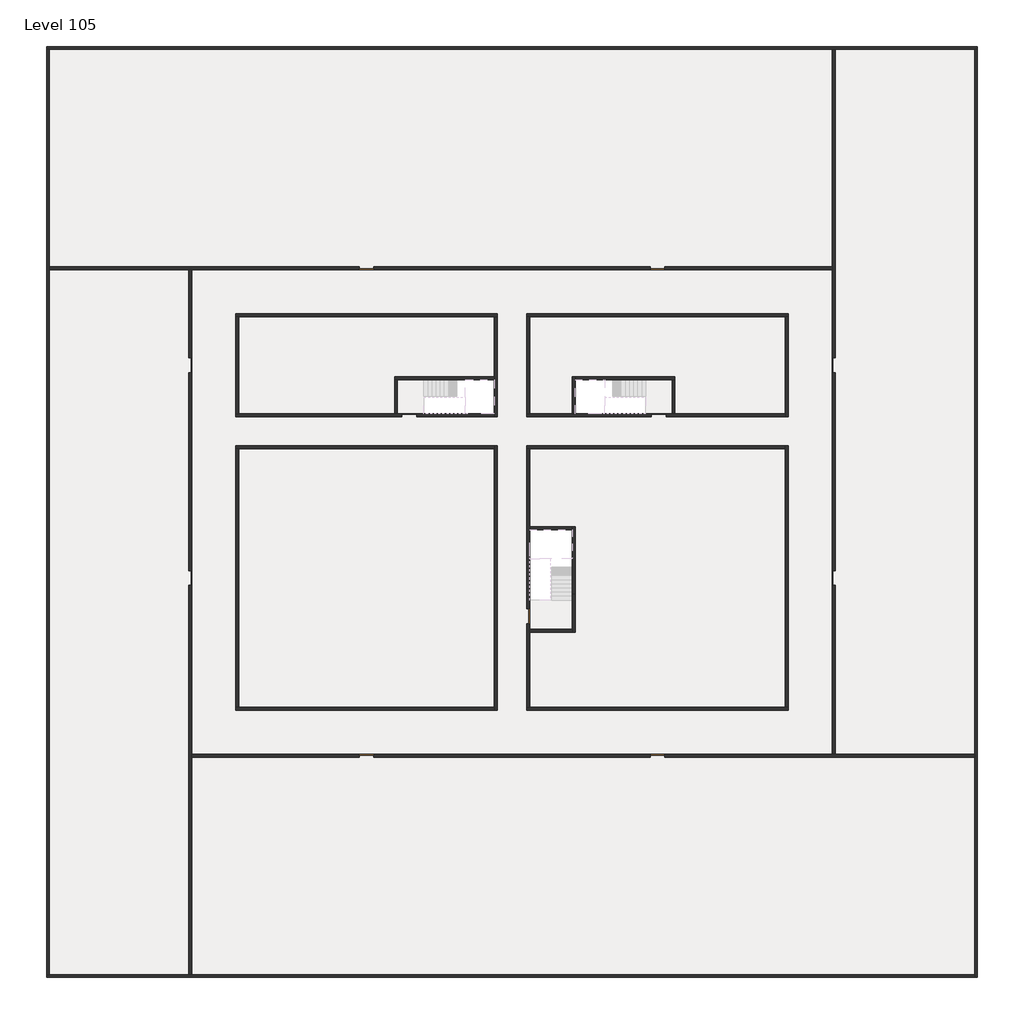
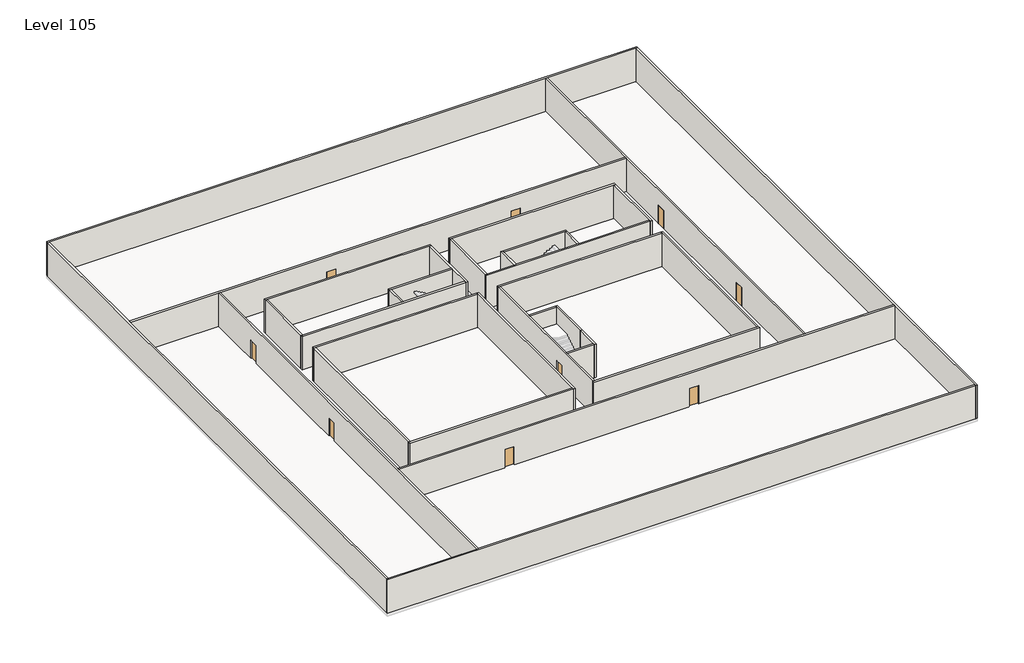
# One storey, part 1 of 2: 33 walls, 11 doors.
"""IFC4 building model written with IfcOpenShell, lengths in millimetres."""

import ifcopenshell
import ifcopenshell.guid

model = None  # the IFC model being written
_history = None  # IfcOwnerHistory: only IFC2X3 demands one
_inside = {}  # id of a spatial element -> (the spatial element, [elements in it])
_under = {}  # id of a project, library or spatial element -> (it, [spatial elements below it])
_declared = {}  # id of a project -> (the project, [libraries it declares])
_typed = {}  # id of a type object -> (the type object, [elements of that type])
_made_of = {}  # id of a material, layer set ... -> (it, [elements and type objects made of it])


def new_model(schema):
    """Start an empty IFC model of exactly this schema.

    Asked for "IFC4X3", IfcOpenShell would pick the latest addendum, in which some entities
    have other attributes; the version numbers below select the first issue.
    IFC2X3 requires an IfcOwnerHistory on every rooted entity: one is made here for all.
    """
    global model, _history
    if schema == "IFC4X3":
        model = ifcopenshell.file(schema_version=(4, 3, 0, 0))
    else:
        model = ifcopenshell.file(schema=schema)
    _inside.clear()
    _under.clear()
    _declared.clear()
    _typed.clear()
    _made_of.clear()
    _history = None
    if model.schema == "IFC2X3":
        org = make("IfcOrganization", Name="unknown")
        user = make(
            "IfcPersonAndOrganization",
            ThePerson=make("IfcPerson", FamilyName="unknown"),
            TheOrganization=org,
        )
        app = make(
            "IfcApplication",
            ApplicationDeveloper=org,
            Version="unknown",
            ApplicationFullName="unknown",
            ApplicationIdentifier="unknown",
        )
        _history = make(
            "IfcOwnerHistory",
            OwningUser=user,
            OwningApplication=app,
            ChangeAction="ADDED",
            CreationDate=0,
        )
    return model


def make(cls, **values):
    """One entity of the class cls with the attributes given. An attribute that is None is left unset."""
    return model.create_entity(
        cls, **{name: value for name, value in values.items() if value is not None}
    )


def rooted(cls, **values):
    """An entity with a GlobalId (a new one), such as an element, a storey or a relation."""
    return make(cls, GlobalId=ifcopenshell.guid.new(), OwnerHistory=_history, **values)


def si_unit(unit_type, name, prefix=None):
    """IfcSIUnit, for example si_unit("LENGTHUNIT", "METRE", prefix="MILLI")."""
    return make("IfcSIUnit", UnitType=unit_type, Prefix=prefix, Name=name)


def assignment(units):
    """IfcUnitAssignment: the units of a project."""
    return None if units is None else make("IfcUnitAssignment", Units=units)


def point(xyz):
    """IfcCartesianPoint."""
    return None if xyz is None else make("IfcCartesianPoint", Coordinates=xyz)


def direction(xyz):
    """IfcDirection."""
    return None if xyz is None else make("IfcDirection", DirectionRatios=xyz)


def frame(location, z_axis=None, x_axis=None):
    """IfcAxis2Placement3D, a coordinate frame: its origin and axes. An axis left out is left unset."""
    return make(
        "IfcAxis2Placement3D",
        Location=point(location),
        Axis=direction(z_axis),
        RefDirection=direction(x_axis),
    )


def origin():
    """The frame at (0, 0, 0) with its axes left unset."""
    return frame((0.0, 0.0, 0.0))


def origin_with_axes():
    """The frame at (0, 0, 0) with the z axis (0, 0, 1) and the x axis (1, 0, 0) written out."""
    return frame((0.0, 0.0, 0.0), z_axis=(0.0, 0.0, 1.0), x_axis=(1.0, 0.0, 0.0))


def place(relative_to, where):
    """IfcLocalPlacement: puts the frame where relative to a parent placement (None: the world)."""
    return make(
        "IfcLocalPlacement", PlacementRelTo=relative_to, RelativePlacement=where
    )


def context(
    kind, dimensions, precision=None, world=None, true_north=None, identifier=None
):
    """IfcGeometricRepresentationContext, for example the 3D "Model" context."""
    return make(
        "IfcGeometricRepresentationContext",
        ContextIdentifier=identifier,
        ContextType=kind,
        CoordinateSpaceDimension=dimensions,
        Precision=precision,
        WorldCoordinateSystem=world,
        TrueNorth=true_north,
    )


def project(units=None, contexts=None):
    """IfcProject with its units and contexts."""
    return rooted(
        "IfcProject",
        Name="project",
        RepresentationContexts=contexts,
        UnitsInContext=assignment(units),
    )


def spatial(cls, under=None, at=None, **own):
    """A site, building, storey or space (cls), placed at a placement, below another one or the project."""
    s = rooted(cls, ObjectPlacement=at, **own)
    if under is not None:
        _under.setdefault(under.id(), (under, []))[1].append(s)
    return s


def polyline(points):
    """IfcPolyline through the points."""
    return make("IfcPolyline", Points=[point(p) for p in points])


def outline(outer, holes=None, kind="AREA"):
    """IfcArbitraryClosedProfileDef: a profile drawn as a closed curve; with holes, ...WithVoids."""
    if holes is None:
        return make("IfcArbitraryClosedProfileDef", ProfileType=kind, OuterCurve=outer)
    return make(
        "IfcArbitraryProfileDefWithVoids",
        ProfileType=kind,
        OuterCurve=outer,
        InnerCurves=holes,
    )


def extrude(swept, where, along, depth):
    """IfcExtrudedAreaSolid: the profile swept, set in the frame where, extruded along a direction by depth."""
    return make(
        "IfcExtrudedAreaSolid",
        SweptArea=swept,
        Position=where,
        ExtrudedDirection=direction(along),
        Depth=depth,
    )


def faces_of(points, faces, orient=None, outer=None):
    """IfcFace entities. A face is a list of loops; a loop is a list of indices into points, from 0.

    orient and outer hold one flag for each loop. By default every Orientation is true, the
    first loop of a face is its IfcFaceOuterBound and the others are IfcFaceBound.
    """
    made = []
    for i, loops in enumerate(faces):
        bounds = []
        for j, loop in enumerate(loops):
            is_outer = j == 0 if outer is None else outer[i][j]
            bounds.append(
                make(
                    "IfcFaceOuterBound" if is_outer else "IfcFaceBound",
                    Bound=make("IfcPolyLoop", Polygon=[points[k] for k in loop]),
                    Orientation=True if orient is None else orient[i][j],
                )
            )
        made.append(make("IfcFace", Bounds=bounds))
    return made


def faceted_brep(points, faces, orient=None, outer=None, voids=None):
    """IfcFacetedBrep: a solid bounded by flat faces; with voids (closed shells), ...WithVoids."""
    shared = [point(p) for p in points]
    hull = make("IfcClosedShell", CfsFaces=faces_of(shared, faces, orient, outer))
    if voids is None:
        return make("IfcFacetedBrep", Outer=hull)
    return make(
        "IfcFacetedBrepWithVoids",
        Outer=hull,
        Voids=[
            make(cls, CfsFaces=faces_of(shared, fs, o, b)) for cls, fs, o, b in voids
        ],
    )


def shape(context_of_items, identifier, shape_type, items):
    """IfcShapeRepresentation: the items that make up one representation, for example the "Body"."""
    return make(
        "IfcShapeRepresentation",
        ContextOfItems=context_of_items,
        RepresentationIdentifier=identifier,
        RepresentationType=shape_type,
        Items=items,
    )


def source(mapping_origin, context_of_items, identifier, shape_type, items):
    """IfcRepresentationMap: a shape defined once, which mapped items show again and again."""
    return make(
        "IfcRepresentationMap",
        MappingOrigin=mapping_origin,
        MappedRepresentation=shape(context_of_items, identifier, shape_type, items),
    )


def transform(
    local_origin,
    x_axis=None,
    y_axis=None,
    z_axis=None,
    scale=None,
    scale2=None,
    scale3=None,
    uniform=True,
):
    """IfcCartesianTransformationOperator3D, or its non-uniform kind. x_axis, y_axis, z_axis: its Axis1, 2, 3."""
    if uniform:
        return make(
            "IfcCartesianTransformationOperator3D",
            Axis1=direction(x_axis),
            Axis2=direction(y_axis),
            LocalOrigin=point(local_origin),
            Scale=scale,
            Axis3=direction(z_axis),
        )
    return make(
        "IfcCartesianTransformationOperator3DnonUniform",
        Axis1=direction(x_axis),
        Axis2=direction(y_axis),
        LocalOrigin=point(local_origin),
        Scale=scale,
        Axis3=direction(z_axis),
        Scale2=scale2,
        Scale3=scale3,
    )


def mapped(mapping_source, mapping_target):
    """IfcMappedItem: shows the shape of a source again, moved by a transform."""
    return make(
        "IfcMappedItem", MappingSource=mapping_source, MappingTarget=mapping_target
    )


def made_of(thing, what):
    """Note that an element or type object is made of a material, layer set ...; save() writes the relation."""
    if what is not None:
        _made_of.setdefault(what.id(), (what, []))[1].append(thing)
    return thing


def element(
    cls,
    number,
    at=None,
    inside=None,
    cuts=None,
    type_object=None,
    material=None,
    context=None,
    identifier="Body",
    shape_type=None,
    held_by="IfcProductDefinitionShape",
    body=None,
    shapes=None,
    **own,
):
    """One element of the class cls, such as IfcWall. Its Tag is "e" and its number.

    at: its placement. inside: the storey or other place that contains it. cuts: it is an
    opening in that element (IfcRelVoidsElement). A single representation is given by context,
    identifier, shape_type and body (its items); several are given by shapes. held_by: the class
    of the entity that holds the representations. save() writes the other relations.
    """
    e = rooted(cls, Tag="e%d" % number, ObjectPlacement=at, **own)
    if body is not None:
        shapes = [shape(context, identifier, shape_type, body)]
    if shapes is not None:
        e.Representation = make(held_by, Representations=shapes)
    if inside is not None:
        _inside.setdefault(inside.id(), (inside, []))[1].append(e)
    if cuts is not None:
        rooted(
            "IfcRelVoidsElement", RelatingBuildingElement=cuts, RelatedOpeningElement=e
        )
    if type_object is not None:
        _typed.setdefault(type_object.id(), (type_object, []))[1].append(e)
    return made_of(e, material)


def aggregate(whole, parts):
    """IfcRelAggregates: a whole, such as a stair, and the parts it consists of."""
    return rooted("IfcRelAggregates", RelatingObject=whole, RelatedObjects=parts)


def save(model, path):
    """Write the relations noted so far, then the file.

    IfcRelAggregates (storeys below a building ...), IfcRelContainedInSpatialStructure (elements
    in a storey), IfcRelDefinesByType, IfcRelAssociatesMaterial and IfcRelDeclares: one each for
    every whole, place, type object, material and project.
    """
    for whole, parts in _under.values():
        aggregate(whole, parts)
    for where, things in _inside.values():
        rooted(
            "IfcRelContainedInSpatialStructure",
            RelatedElements=things,
            RelatingStructure=where,
        )
    for kind, things in _typed.values():
        rooted("IfcRelDefinesByType", RelatedObjects=things, RelatingType=kind)
    for what, things in _made_of.values():
        rooted("IfcRelAssociatesMaterial", RelatedObjects=things, RelatingMaterial=what)
    for by, libraries in _declared.values():
        rooted("IfcRelDeclares", RelatingContext=by, RelatedDefinitions=libraries)
    model.write(path)


def door_fb3c37fd(model_context):
    return source(origin(), model_context, "Body", "SweptSolid", [
        extrude(outline(polyline([(500.0, 49.0), (-500.0, 49.0), (-500.0, 100.0), (500.0, 100.0), (500.0, 49.0)])), origin_with_axes(), (0.0, 0.0, 1.0), 2100.0),
    ])


def door_0317a72c(model_context):
    return source(origin(), model_context, "Body", "SweptSolid", [
        extrude(outline(polyline([(500.0, -49.0), (500.0, -100.0), (-500.0, -100.0), (-500.0, -49.0), (500.0, -49.0)])), origin_with_axes(), (0.0, 0.0, 1.0), 2100.0),
    ])


model = new_model("IFC4")

# Units and contexts
model_context = context("Model", 3, world=origin())
ifc_project = project(units=[si_unit("LENGTHUNIT", "METRE", prefix="MILLI")], contexts=[model_context])

# Site, building, storey
site = spatial("IfcSite", under=ifc_project)
building = spatial("IfcBuilding", under=site)
storey = spatial("IfcBuildingStorey", under=building, Name="Level 105", Elevation=395200.0)

# Doors
placement = place(None, origin())
door_shape = door_fb3c37fd(model_context)
element("IfcDoor", 1, at=placement, inside=storey, context=model_context, shape_type="MappedRepresentation", body=[
    mapped(door_shape, transform((34190.1058784, -30618.09644, 395200.0), x_axis=(1.0, 0.0, 0.0), y_axis=(0.0, 1.0, 0.0), z_axis=(0.0, 0.0, 1.0))),
])
element("IfcDoor", 2, at=placement, inside=storey, context=model_context, shape_type="MappedRepresentation", body=[
    mapped(door_shape, transform((25290.1058784, -44318.09644, 395200.0), x_axis=(0.0, -1.0, 0.0), y_axis=(1.0, 0.0, 0.0), z_axis=(0.0, 0.0, 1.0))),
])
element("IfcDoor", 3, at=placement, inside=storey, context=model_context, shape_type="MappedRepresentation", body=[
    mapped(door_shape, transform((2290.1058784, -41718.09644, 395200.0), x_axis=(0.0, -1.0, 0.0), y_axis=(1.0, 0.0, 0.0), z_axis=(0.0, 0.0, 1.0))),
])
element("IfcDoor", 4, at=placement, inside=storey, context=model_context, shape_type="MappedRepresentation", body=[
    mapped(door_shape, transform((2290.1058784, -27218.09644, 395200.0), x_axis=(0.0, -1.0, 0.0), y_axis=(1.0, 0.0, 0.0), z_axis=(0.0, 0.0, 1.0))),
])
element("IfcDoor", 5, at=placement, inside=storey, context=model_context, shape_type="MappedRepresentation", body=[
    mapped(door_shape, transform((14290.1058784, -20618.09644, 395200.0), x_axis=(-1.0, 0.0, 0.0), y_axis=(0.0, -1.0, 0.0), z_axis=(0.0, 0.0, 1.0))),
])
element("IfcDoor", 6, at=placement, inside=storey, context=model_context, shape_type="MappedRepresentation", body=[
    mapped(door_shape, transform((34090.1058784, -20618.09644, 395200.0), x_axis=(-1.0, 0.0, 0.0), y_axis=(0.0, -1.0, 0.0), z_axis=(0.0, 0.0, 1.0))),
])
element("IfcDoor", 7, at=placement, inside=storey, context=model_context, shape_type="MappedRepresentation", body=[
    mapped(door_shape, transform((46090.1058784, -27218.09644, 395200.0), x_axis=(0.0, 1.0, 0.0), y_axis=(-1.0, 0.0, 0.0), z_axis=(0.0, 0.0, 1.0))),
])
element("IfcDoor", 8, at=placement, inside=storey, context=model_context, shape_type="MappedRepresentation", body=[
    mapped(door_shape, transform((46090.1058784, -41718.09644, 395200.0), x_axis=(0.0, 1.0, 0.0), y_axis=(-1.0, 0.0, 0.0), z_axis=(0.0, 0.0, 1.0))),
])
element("IfcDoor", 9, at=placement, inside=storey, context=model_context, shape_type="MappedRepresentation", body=[
    mapped(door_shape, transform((34090.1058784, -53818.09644, 395200.0), x_axis=(1.0, 0.0, 0.0), y_axis=(0.0, 1.0, 0.0), z_axis=(0.0, 0.0, 1.0))),
])
element("IfcDoor", 10, at=placement, inside=storey, context=model_context, shape_type="MappedRepresentation", body=[
    mapped(door_shape, transform((14290.1058784, -53818.09644, 395200.0), x_axis=(1.0, 0.0, 0.0), y_axis=(0.0, 1.0, 0.0), z_axis=(0.0, 0.0, 1.0))),
])
door_2_shape = door_0317a72c(model_context)
element("IfcDoor", 11, at=placement, inside=storey, context=model_context, shape_type="MappedRepresentation", body=[
    mapped(door_2_shape, transform((17190.1058784, -30618.09644, 395200.0), x_axis=(-1.0, 0.0, 0.0), y_axis=(0.0, -1.0, 0.0), z_axis=(0.0, 0.0, 1.0))),
])

# Walls
element("IfcWall", 12, at=placement, inside=storey, context=model_context, shape_type="Brep", body=[
    faceted_brep([(-7509.8941216, -5718.09644, 395200.0), (-7309.8941216, -5718.09644, 395200.0), (45990.1058784, -5718.09644, 395200.0), (46190.1058784, -5718.09644, 395200.0), (55690.1058784, -5718.09644, 395200.0), (55890.1058784, -5718.09644, 395200.0), (55890.1058784, -5718.09644, 399000.0), (55690.1058784, -5718.09644, 399000.0), (46190.1058784, -5718.09644, 399000.0), (45990.1058784, -5718.09644, 399000.0), (-7309.8941216, -5718.09644, 399000.0), (-7509.8941216, -5718.09644, 399000.0), (-7509.8941216, -5518.09644, 395200.0), (-7509.8941216, -5518.09644, 399000.0), (55890.1058784, -5518.09644, 399000.0), (55890.1058784, -5518.09644, 395200.0)], [[[0, 1, 2, 3, 4, 5, 6, 7, 8, 9, 10, 11]], [[12, 13, 14, 15]], [[5, 4, 3, 2, 1, 0, 12, 15]], [[11, 10, 9, 8, 7, 6, 14, 13]], [[0, 11, 13, 12]], [[6, 5, 15, 14]]]),
])
element("IfcWall", 13, at=placement, inside=storey, context=model_context, shape_type="Brep", body=[
    faceted_brep([(55690.1058784, -5718.09644, 395200.0), (55690.1058784, -53718.09644, 395200.0), (55690.1058784, -53918.09644, 395200.0), (55690.1058784, -68718.09644, 395200.0), (55690.1058784, -68918.09644, 395200.0), (55690.1058784, -68918.09644, 399000.0), (55690.1058784, -68718.09644, 399000.0), (55690.1058784, -53918.09644, 399000.0), (55690.1058784, -53718.09644, 399000.0), (55690.1058784, -5718.09644, 399000.0), (55890.1058784, -5718.09644, 395200.0), (55890.1058784, -5718.09644, 399000.0), (55890.1058784, -68918.09644, 399000.0), (55890.1058784, -68918.09644, 395200.0)], [[[0, 1, 2, 3, 4, 5, 6, 7, 8, 9]], [[10, 11, 12, 13]], [[4, 3, 2, 1, 0, 10, 13]], [[9, 8, 7, 6, 5, 12, 11]], [[5, 4, 13, 12]], [[0, 9, 11, 10]]]),
])
element("IfcWall", 14, at=placement, inside=storey, context=model_context, shape_type="Brep", body=[
    faceted_brep([(55690.1058784, -68718.09644, 395200.0), (2390.1058784, -68718.09644, 395200.0), (2190.1058784, -68718.09644, 395200.0), (-7309.8941216, -68718.09644, 395200.0), (-7509.8941216, -68718.09644, 395200.0), (-7509.8941216, -68718.09644, 399000.0), (-7309.8941216, -68718.09644, 399000.0), (2190.1058784, -68718.09644, 399000.0), (2390.1058784, -68718.09644, 399000.0), (55690.1058784, -68718.09644, 399000.0), (55690.1058784, -68918.09644, 395200.0), (55690.1058784, -68918.09644, 399000.0), (-7509.8941216, -68918.09644, 399000.0), (-7509.8941216, -68918.09644, 395200.0)], [[[0, 1, 2, 3, 4, 5, 6, 7, 8, 9]], [[10, 11, 12, 13]], [[4, 3, 2, 1, 0, 10, 13]], [[9, 8, 7, 6, 5, 12, 11]], [[5, 4, 13, 12]], [[0, 9, 11, 10]]]),
])
element("IfcWall", 15, at=placement, inside=storey, context=model_context, shape_type="Brep", body=[
    faceted_brep([(-7309.8941216, -68718.09644, 395200.0), (-7309.8941216, -20718.09644, 395200.0), (-7309.8941216, -20518.09644, 395200.0), (-7309.8941216, -5718.09644, 395200.0), (-7309.8941216, -5718.09644, 399000.0), (-7309.8941216, -20518.09644, 399000.0), (-7309.8941216, -20718.09644, 399000.0), (-7309.8941216, -68718.09644, 399000.0), (-7509.8941216, -68718.09644, 395200.0), (-7509.8941216, -68718.09644, 399000.0), (-7509.8941216, -5718.09644, 399000.0), (-7509.8941216, -5718.09644, 395200.0)], [[[0, 1, 2, 3, 4, 5, 6, 7]], [[8, 9, 10, 11]], [[3, 2, 1, 0, 8, 11]], [[7, 6, 5, 4, 10, 9]], [[0, 7, 9, 8]], [[4, 3, 11, 10]]]),
])
element("IfcWall", 16, at=placement, inside=storey, context=model_context, shape_type="Brep", body=[
    faceted_brep([(5390.1058784, -23918.09644, 395200.0), (5590.1058784, -23918.09644, 395200.0), (22990.1058784, -23918.09644, 395200.0), (23190.1058784, -23918.09644, 395200.0), (23190.1058784, -23918.09644, 399000.0), (22990.1058784, -23918.09644, 399000.0), (5590.1058784, -23918.09644, 399000.0), (5390.1058784, -23918.09644, 399000.0), (5390.1058784, -23718.09644, 395200.0), (5390.1058784, -23718.09644, 399000.0), (23190.1058784, -23718.09644, 399000.0), (23190.1058784, -23718.09644, 395200.0)], [[[0, 1, 2, 3, 4, 5, 6, 7]], [[8, 9, 10, 11]], [[3, 2, 1, 0, 8, 11]], [[7, 6, 5, 4, 10, 9]], [[4, 3, 11, 10]], [[0, 7, 9, 8]]]),
])
element("IfcWall", 17, at=placement, inside=storey, context=model_context, shape_type="Brep", body=[
    faceted_brep([(22990.1058784, -23918.09644, 395200.0), (22990.1058784, -28018.09644, 395200.0), (22990.1058784, -28218.09644, 395200.0), (22990.1058784, -30518.09644, 395200.0), (22990.1058784, -30718.09644, 395200.0), (22990.1058784, -30718.09644, 399000.0), (22990.1058784, -30518.09644, 399000.0), (22990.1058784, -28218.09644, 399000.0), (22990.1058784, -28018.09644, 399000.0), (22990.1058784, -23918.09644, 399000.0), (23190.1058784, -23918.09644, 395200.0), (23190.1058784, -23918.09644, 399000.0), (23190.1058784, -30718.09644, 399000.0), (23190.1058784, -30718.09644, 395200.0)], [[[0, 1, 2, 3, 4, 5, 6, 7, 8, 9]], [[10, 11, 12, 13]], [[4, 3, 2, 1, 0, 10, 13]], [[9, 8, 7, 6, 5, 12, 11]], [[0, 9, 11, 10]], [[5, 4, 13, 12]]]),
])
element("IfcWall", 18, at=placement, inside=storey, context=model_context, shape_type="Brep", body=[
    faceted_brep([(25190.1058784, -44818.09644, 397300.0), (25190.1058784, -44818.09644, 395200.0), (25190.1058784, -50518.09644, 395200.0), (25190.1058784, -50518.09644, 399000.0), (25190.1058784, -32918.09644, 399000.0), (25190.1058784, -32918.09644, 395200.0), (25190.1058784, -43818.09644, 395200.0), (25190.1058784, -43818.09644, 397300.0), (25390.1058784, -50518.09644, 395200.0), (25390.1058784, -45418.09644, 395200.0), (25390.1058784, -45218.09644, 395200.0), (25390.1058784, -44818.09644, 395200.0), (25390.1058784, -44818.09644, 397300.0), (25390.1058784, -43818.09644, 397300.0), (25390.1058784, -43818.09644, 395200.0), (25390.1058784, -38418.09644, 395200.0), (25390.1058784, -38218.09644, 395200.0), (25390.1058784, -32918.09644, 395200.0), (25390.1058784, -32918.09644, 399000.0), (25390.1058784, -38218.09644, 399000.0), (25390.1058784, -38418.09644, 399000.0), (25390.1058784, -45218.09644, 399000.0), (25390.1058784, -45418.09644, 399000.0), (25390.1058784, -50518.09644, 399000.0)], [[[0, 1, 2, 3, 4, 5, 6, 7]], [[8, 9, 10, 11, 12, 13, 14, 15, 16, 17, 18, 19, 20, 21, 22, 23]], [[6, 5, 17, 16, 15, 14]], [[2, 1, 11, 10, 9, 8]], [[4, 3, 23, 22, 21, 20, 19, 18]], [[12, 11, 1, 0]], [[13, 12, 0, 7]], [[14, 13, 7, 6]], [[5, 4, 18, 17]], [[3, 2, 8, 23]]]),
])
element("IfcWall", 19, at=placement, inside=storey, context=model_context, shape_type="Brep", body=[
    faceted_brep([(22990.1058784, -32718.09644, 395200.0), (22990.1058784, -32918.09644, 395200.0), (22990.1058784, -50518.09644, 395200.0), (22990.1058784, -50718.09644, 395200.0), (22990.1058784, -50718.09644, 399000.0), (22990.1058784, -50518.09644, 399000.0), (22990.1058784, -32918.09644, 399000.0), (22990.1058784, -32718.09644, 399000.0), (23190.1058784, -32718.09644, 395200.0), (23190.1058784, -32718.09644, 399000.0), (23190.1058784, -50718.09644, 399000.0), (23190.1058784, -50718.09644, 395200.0)], [[[0, 1, 2, 3, 4, 5, 6, 7]], [[8, 9, 10, 11]], [[3, 2, 1, 0, 8, 11]], [[7, 6, 5, 4, 10, 9]], [[4, 3, 11, 10]], [[0, 7, 9, 8]]]),
])
element("IfcWall", 20, at=placement, inside=storey, context=model_context, shape_type="Brep", body=[
    faceted_brep([(22990.1058784, -50518.09644, 395200.0), (5590.1058784, -50518.09644, 395200.0), (5390.1058784, -50518.09644, 395200.0), (5390.1058784, -50518.09644, 399000.0), (5590.1058784, -50518.09644, 399000.0), (22990.1058784, -50518.09644, 399000.0), (22990.1058784, -50718.09644, 395200.0), (22990.1058784, -50718.09644, 399000.0), (5390.1058784, -50718.09644, 399000.0), (5390.1058784, -50718.09644, 395200.0)], [[[0, 1, 2, 3, 4, 5]], [[6, 7, 8, 9]], [[2, 1, 0, 6, 9]], [[5, 4, 3, 8, 7]], [[0, 5, 7, 6]], [[3, 2, 9, 8]]]),
])
element("IfcWall", 21, at=placement, inside=storey, context=model_context, shape_type="Brep", body=[
    faceted_brep([(28290.1058784, -42818.09644, 395200.0), (28290.1058784, -45218.09644, 395200.0), (28290.1058784, -45418.09644, 395200.0), (28290.1058784, -45418.09644, 399000.0), (28290.1058784, -45218.09644, 399000.0), (28290.1058784, -42818.09644, 399000.0), (28490.1058784, -42818.09644, 395200.0), (28490.1058784, -42818.09644, 399000.0), (28490.1058784, -45418.09644, 399000.0), (28490.1058784, -45418.09644, 395200.0)], [[[0, 1, 2, 3, 4, 5]], [[6, 7, 8, 9]], [[2, 1, 0, 6, 9]], [[5, 4, 3, 8, 7]], [[0, 5, 7, 6]], [[3, 2, 9, 8]]]),
])
element("IfcWall", 22, at=placement, inside=storey, context=model_context, shape_type="SweptSolid", body=[
    extrude(outline(polyline([(5390.1058784, -30518.09644), (5390.1058784, -23918.09644), (5590.1058784, -23918.09644), (5590.1058784, -30518.09644), (5390.1058784, -30518.09644)])), frame((0.0, 0.0, 395200.0), z_axis=(0.0, 0.0, 1.0), x_axis=(1.0, 0.0, 0.0)), (0.0, 0.0, 1.0), 3800.0),
])
element("IfcWall", 23, at=placement, inside=storey, context=model_context, shape_type="Brep", body=[
    faceted_brep([(5390.1058784, -30718.09644, 395200.0), (16690.1058784, -30718.09644, 395200.0), (16690.1058784, -30718.09644, 397300.0), (17690.1058784, -30718.09644, 397300.0), (17690.1058784, -30718.09644, 395200.0), (22990.1058784, -30718.09644, 395200.0), (22990.1058784, -30718.09644, 399000.0), (5390.1058784, -30718.09644, 399000.0), (16690.1058784, -30518.09644, 397300.0), (16690.1058784, -30518.09644, 395200.0), (16390.1058784, -30518.09644, 395200.0), (16190.1058784, -30518.09644, 395200.0), (5590.1058784, -30518.09644, 395200.0), (5390.1058784, -30518.09644, 395200.0), (5390.1058784, -30518.09644, 399000.0), (5590.1058784, -30518.09644, 399000.0), (16190.1058784, -30518.09644, 399000.0), (16390.1058784, -30518.09644, 399000.0), (22990.1058784, -30518.09644, 399000.0), (22990.1058784, -30518.09644, 395200.0), (17690.1058784, -30518.09644, 395200.0), (17690.1058784, -30518.09644, 397300.0)], [[[0, 1, 2, 3, 4, 5, 6, 7]], [[8, 9, 10, 11, 12, 13, 14, 15, 16, 17, 18, 19, 20, 21]], [[20, 19, 5, 4]], [[13, 12, 11, 10, 9, 1, 0]], [[7, 6, 18, 17, 16, 15, 14]], [[2, 1, 9, 8]], [[3, 2, 8, 21]], [[4, 3, 21, 20]], [[0, 7, 14, 13]], [[6, 5, 19, 18]]]),
])
element("IfcWall", 24, at=placement, inside=storey, context=model_context, shape_type="Brep", body=[
    faceted_brep([(28490.1058784, -42818.09644, 395200.0), (28490.1058784, -38218.09644, 395200.0), (28490.1058784, -38218.09644, 399000.0), (28490.1058784, -42818.09644, 399000.0), (28290.1058784, -42818.09644, 395200.0), (28290.1058784, -42818.09644, 399000.0), (28290.1058784, -38418.09644, 399000.0), (28290.1058784, -38218.09644, 399000.0), (28290.1058784, -38218.09644, 395200.0), (28290.1058784, -38418.09644, 395200.0)], [[[0, 1, 2, 3]], [[4, 5, 6, 7, 8, 9]], [[1, 0, 4, 9, 8]], [[3, 2, 7, 6, 5]], [[0, 3, 5, 4]], [[2, 1, 8, 7]]]),
])
element("IfcWall", 25, at=placement, inside=storey, context=model_context, shape_type="SweptSolid", body=[
    extrude(outline(polyline([(25390.1058784, -38218.09644), (28290.1058784, -38218.09644), (28290.1058784, -38418.09644), (25390.1058784, -38418.09644), (25390.1058784, -38218.09644)])), frame((0.0, 0.0, 395200.0), z_axis=(0.0, 0.0, 1.0), x_axis=(1.0, 0.0, 0.0)), (0.0, 0.0, 1.0), 3800.0),
])
element("IfcWall", 26, at=placement, inside=storey, context=model_context, shape_type="SweptSolid", body=[
    extrude(outline(polyline([(28290.1058784, -45418.09644), (25390.1058784, -45418.09644), (25390.1058784, -45218.09644), (28290.1058784, -45218.09644), (28290.1058784, -45418.09644)])), frame((0.0, 0.0, 395200.0), z_axis=(0.0, 0.0, 1.0), x_axis=(1.0, 0.0, 0.0)), (0.0, 0.0, 1.0), 3800.0),
])
element("IfcWall", 27, at=placement, inside=storey, context=model_context, shape_type="Brep", body=[
    faceted_brep([(5390.1058784, -32918.09644, 395200.0), (5590.1058784, -32918.09644, 395200.0), (22990.1058784, -32918.09644, 395200.0), (22990.1058784, -32918.09644, 399000.0), (5590.1058784, -32918.09644, 399000.0), (5390.1058784, -32918.09644, 399000.0), (5390.1058784, -32718.09644, 395200.0), (5390.1058784, -32718.09644, 399000.0), (22990.1058784, -32718.09644, 399000.0), (22990.1058784, -32718.09644, 395200.0)], [[[0, 1, 2, 3, 4, 5]], [[6, 7, 8, 9]], [[2, 1, 0, 6, 9]], [[5, 4, 3, 8, 7]], [[3, 2, 9, 8]], [[0, 5, 7, 6]]]),
])
element("IfcWall", 28, at=placement, inside=storey, context=model_context, shape_type="SweptSolid", body=[
    extrude(outline(polyline([(5390.1058784, -50518.09644), (5390.1058784, -32918.09644), (5590.1058784, -32918.09644), (5590.1058784, -50518.09644), (5390.1058784, -50518.09644)])), frame((0.0, 0.0, 395200.0), z_axis=(0.0, 0.0, 1.0), x_axis=(1.0, 0.0, 0.0)), (0.0, 0.0, 1.0), 3800.0),
])
element("IfcWall", 29, at=placement, inside=storey, context=model_context, shape_type="Brep", body=[
    faceted_brep([(25190.1058784, -50718.09644, 395200.0), (42990.1058784, -50718.09644, 395200.0), (42990.1058784, -50718.09644, 399000.0), (25190.1058784, -50718.09644, 399000.0), (25190.1058784, -50518.09644, 395200.0), (25190.1058784, -50518.09644, 399000.0), (25390.1058784, -50518.09644, 399000.0), (42790.1058784, -50518.09644, 399000.0), (42990.1058784, -50518.09644, 399000.0), (42990.1058784, -50518.09644, 395200.0), (42790.1058784, -50518.09644, 395200.0), (25390.1058784, -50518.09644, 395200.0)], [[[0, 1, 2, 3]], [[4, 5, 6, 7, 8, 9, 10, 11]], [[1, 0, 4, 11, 10, 9]], [[3, 2, 8, 7, 6, 5]], [[2, 1, 9, 8]], [[0, 3, 5, 4]]]),
])
element("IfcWall", 30, at=placement, inside=storey, context=model_context, shape_type="Brep", body=[
    faceted_brep([(42990.1058784, -50518.09644, 395200.0), (42990.1058784, -32718.09644, 395200.0), (42990.1058784, -32718.09644, 399000.0), (42990.1058784, -50518.09644, 399000.0), (42790.1058784, -50518.09644, 395200.0), (42790.1058784, -50518.09644, 399000.0), (42790.1058784, -32918.09644, 399000.0), (42790.1058784, -32718.09644, 399000.0), (42790.1058784, -32718.09644, 395200.0), (42790.1058784, -32918.09644, 395200.0)], [[[0, 1, 2, 3]], [[4, 5, 6, 7, 8, 9]], [[1, 0, 4, 9, 8]], [[3, 2, 7, 6, 5]], [[0, 3, 5, 4]], [[2, 1, 8, 7]]]),
])
element("IfcWall", 31, at=placement, inside=storey, context=model_context, shape_type="Brep", body=[
    faceted_brep([(42790.1058784, -32718.09644, 395200.0), (25190.1058784, -32718.09644, 395200.0), (25190.1058784, -32718.09644, 399000.0), (42790.1058784, -32718.09644, 399000.0), (42790.1058784, -32918.09644, 395200.0), (42790.1058784, -32918.09644, 399000.0), (25390.1058784, -32918.09644, 399000.0), (25190.1058784, -32918.09644, 399000.0), (25190.1058784, -32918.09644, 395200.0), (25390.1058784, -32918.09644, 395200.0)], [[[0, 1, 2, 3]], [[4, 5, 6, 7, 8, 9]], [[1, 0, 4, 9, 8]], [[3, 2, 7, 6, 5]], [[0, 3, 5, 4]], [[2, 1, 8, 7]]]),
])
element("IfcWall", 32, at=placement, inside=storey, context=model_context, shape_type="Brep", body=[
    faceted_brep([(25190.1058784, -23918.09644, 395200.0), (25390.1058784, -23918.09644, 395200.0), (42790.1058784, -23918.09644, 395200.0), (42990.1058784, -23918.09644, 395200.0), (42990.1058784, -23918.09644, 399000.0), (42790.1058784, -23918.09644, 399000.0), (25390.1058784, -23918.09644, 399000.0), (25190.1058784, -23918.09644, 399000.0), (25190.1058784, -23718.09644, 395200.0), (25190.1058784, -23718.09644, 399000.0), (42990.1058784, -23718.09644, 399000.0), (42990.1058784, -23718.09644, 395200.0)], [[[0, 1, 2, 3, 4, 5, 6, 7]], [[8, 9, 10, 11]], [[3, 2, 1, 0, 8, 11]], [[7, 6, 5, 4, 10, 9]], [[0, 7, 9, 8]], [[4, 3, 11, 10]]]),
])
element("IfcWall", 33, at=placement, inside=storey, context=model_context, shape_type="Brep", body=[
    faceted_brep([(42790.1058784, -23918.09644, 395200.0), (42790.1058784, -30518.09644, 395200.0), (42790.1058784, -30718.09644, 395200.0), (42790.1058784, -30718.09644, 399000.0), (42790.1058784, -30518.09644, 399000.0), (42790.1058784, -23918.09644, 399000.0), (42990.1058784, -23918.09644, 395200.0), (42990.1058784, -23918.09644, 399000.0), (42990.1058784, -30718.09644, 399000.0), (42990.1058784, -30718.09644, 395200.0)], [[[0, 1, 2, 3, 4, 5]], [[6, 7, 8, 9]], [[2, 1, 0, 6, 9]], [[5, 4, 3, 8, 7]], [[0, 5, 7, 6]], [[3, 2, 9, 8]]]),
])
element("IfcWall", 34, at=placement, inside=storey, context=model_context, shape_type="Brep", body=[
    faceted_brep([(42790.1058784, -30518.09644, 395200.0), (35290.1058784, -30518.09644, 395200.0), (35090.1058784, -30518.09644, 395200.0), (34690.1058784, -30518.09644, 395200.0), (34690.1058784, -30518.09644, 397300.0), (33690.1058784, -30518.09644, 397300.0), (33690.1058784, -30518.09644, 395200.0), (28490.1058784, -30518.09644, 395200.0), (28290.1058784, -30518.09644, 395200.0), (25390.1058784, -30518.09644, 395200.0), (25190.1058784, -30518.09644, 395200.0), (25190.1058784, -30518.09644, 399000.0), (25390.1058784, -30518.09644, 399000.0), (28290.1058784, -30518.09644, 399000.0), (28490.1058784, -30518.09644, 399000.0), (35090.1058784, -30518.09644, 399000.0), (35290.1058784, -30518.09644, 399000.0), (42790.1058784, -30518.09644, 399000.0), (34690.1058784, -30718.09644, 397300.0), (34690.1058784, -30718.09644, 395200.0), (42790.1058784, -30718.09644, 395200.0), (42790.1058784, -30718.09644, 399000.0), (25190.1058784, -30718.09644, 399000.0), (25190.1058784, -30718.09644, 395200.0), (33690.1058784, -30718.09644, 395200.0), (33690.1058784, -30718.09644, 397300.0)], [[[0, 1, 2, 3, 4, 5, 6, 7, 8, 9, 10, 11, 12, 13, 14, 15, 16, 17]], [[18, 19, 20, 21, 22, 23, 24, 25]], [[24, 23, 10, 9, 8, 7, 6]], [[20, 19, 3, 2, 1, 0]], [[17, 16, 15, 14, 13, 12, 11, 22, 21]], [[4, 3, 19, 18]], [[5, 4, 18, 25]], [[6, 5, 25, 24]], [[11, 10, 23, 22]], [[0, 17, 21, 20]]]),
])
element("IfcWall", 35, at=placement, inside=storey, context=model_context, shape_type="SweptSolid", body=[
    extrude(outline(polyline([(25390.1058784, -23918.09644), (25390.1058784, -30518.09644), (25190.1058784, -30518.09644), (25190.1058784, -23918.09644), (25390.1058784, -23918.09644)])), frame((0.0, 0.0, 395200.0), z_axis=(0.0, 0.0, 1.0), x_axis=(1.0, 0.0, 0.0)), (0.0, 0.0, 1.0), 3800.0),
])
element("IfcWall", 36, at=placement, inside=storey, context=model_context, shape_type="Brep", body=[
    faceted_brep([(28490.1058784, -30518.09644, 395200.0), (28490.1058784, -28218.09644, 395200.0), (28490.1058784, -28018.09644, 395200.0), (28490.1058784, -28018.09644, 399000.0), (28490.1058784, -28218.09644, 399000.0), (28490.1058784, -30518.09644, 399000.0), (28290.1058784, -30518.09644, 395200.0), (28290.1058784, -30518.09644, 399000.0), (28290.1058784, -28018.09644, 399000.0), (28290.1058784, -28018.09644, 395200.0)], [[[0, 1, 2, 3, 4, 5]], [[6, 7, 8, 9]], [[2, 1, 0, 6, 9]], [[5, 4, 3, 8, 7]], [[3, 2, 9, 8]], [[0, 5, 7, 6]]]),
])
element("IfcWall", 37, at=placement, inside=storey, context=model_context, shape_type="Brep", body=[
    faceted_brep([(28490.1058784, -28218.09644, 395200.0), (35090.1058784, -28218.09644, 395200.0), (35290.1058784, -28218.09644, 395200.0), (35290.1058784, -28218.09644, 399000.0), (35090.1058784, -28218.09644, 399000.0), (28490.1058784, -28218.09644, 399000.0), (28490.1058784, -28018.09644, 395200.0), (28490.1058784, -28018.09644, 399000.0), (35290.1058784, -28018.09644, 399000.0), (35290.1058784, -28018.09644, 395200.0)], [[[0, 1, 2, 3, 4, 5]], [[6, 7, 8, 9]], [[2, 1, 0, 6, 9]], [[5, 4, 3, 8, 7]], [[0, 5, 7, 6]], [[3, 2, 9, 8]]]),
])
element("IfcWall", 38, at=placement, inside=storey, context=model_context, shape_type="SweptSolid", body=[
    extrude(outline(polyline([(35090.1058784, -30518.09644), (35090.1058784, -28218.09644), (35290.1058784, -28218.09644), (35290.1058784, -30518.09644), (35090.1058784, -30518.09644)])), frame((0.0, 0.0, 395200.0), z_axis=(0.0, 0.0, 1.0), x_axis=(1.0, 0.0, 0.0)), (0.0, 0.0, 1.0), 3800.0),
])
element("IfcWall", 39, at=placement, inside=storey, context=model_context, shape_type="Brep", body=[
    faceted_brep([(22990.1058784, -28018.09644, 395200.0), (16190.1058784, -28018.09644, 395200.0), (16190.1058784, -28018.09644, 399000.0), (22990.1058784, -28018.09644, 399000.0), (22990.1058784, -28218.09644, 395200.0), (22990.1058784, -28218.09644, 399000.0), (16390.1058784, -28218.09644, 399000.0), (16190.1058784, -28218.09644, 399000.0), (16190.1058784, -28218.09644, 395200.0), (16390.1058784, -28218.09644, 395200.0)], [[[0, 1, 2, 3]], [[4, 5, 6, 7, 8, 9]], [[1, 0, 4, 9, 8]], [[3, 2, 7, 6, 5]], [[0, 3, 5, 4]], [[2, 1, 8, 7]]]),
])
element("IfcWall", 40, at=placement, inside=storey, context=model_context, shape_type="SweptSolid", body=[
    extrude(outline(polyline([(16190.1058784, -30518.09644), (16190.1058784, -28218.09644), (16390.1058784, -28218.09644), (16390.1058784, -30518.09644), (16190.1058784, -30518.09644)])), frame((0.0, 0.0, 395200.0), z_axis=(0.0, 0.0, 1.0), x_axis=(1.0, 0.0, 0.0)), (0.0, 0.0, 1.0), 3800.0),
])
element("IfcWall", 41, at=placement, inside=storey, context=model_context, shape_type="Brep", body=[
    faceted_brep([(14790.1058784, -20718.09644, 395200.0), (33590.1058784, -20718.09644, 395200.0), (33590.1058784, -20718.09644, 397300.0), (34590.1058784, -20718.09644, 397300.0), (34590.1058784, -20718.09644, 395200.0), (45990.1058784, -20718.09644, 395200.0), (45990.1058784, -20718.09644, 399000.0), (2390.1058784, -20718.09644, 399000.0), (2190.1058784, -20718.09644, 399000.0), (-7309.8941216, -20718.09644, 399000.0), (-7309.8941216, -20718.09644, 395200.0), (2190.1058784, -20718.09644, 395200.0), (2390.1058784, -20718.09644, 395200.0), (13790.1058784, -20718.09644, 395200.0), (13790.1058784, -20718.09644, 397300.0), (14790.1058784, -20718.09644, 397300.0), (33590.1058784, -20518.09644, 397300.0), (33590.1058784, -20518.09644, 395200.0), (14790.1058784, -20518.09644, 395200.0), (14790.1058784, -20518.09644, 397300.0), (13790.1058784, -20518.09644, 397300.0), (13790.1058784, -20518.09644, 395200.0), (-7309.8941216, -20518.09644, 395200.0), (-7309.8941216, -20518.09644, 399000.0), (45990.1058784, -20518.09644, 399000.0), (45990.1058784, -20518.09644, 395200.0), (34590.1058784, -20518.09644, 395200.0), (34590.1058784, -20518.09644, 397300.0)], [[[0, 1, 2, 3, 4, 5, 6, 7, 8, 9, 10, 11, 12, 13, 14, 15]], [[16, 17, 18, 19, 20, 21, 22, 23, 24, 25, 26, 27]], [[22, 21, 13, 12, 11, 10]], [[26, 25, 5, 4]], [[18, 17, 1, 0]], [[9, 8, 7, 6, 24, 23]], [[14, 13, 21, 20]], [[15, 14, 20, 19]], [[0, 15, 19, 18]], [[2, 1, 17, 16]], [[3, 2, 16, 27]], [[4, 3, 27, 26]], [[6, 5, 25, 24]], [[10, 9, 23, 22]]]),
])
element("IfcWall", 42, at=placement, inside=storey, context=model_context, shape_type="Brep", body=[
    faceted_brep([(45990.1058784, -27718.09644, 395200.0), (45990.1058784, -41218.09644, 395200.0), (45990.1058784, -41218.09644, 397300.0), (45990.1058784, -42218.09644, 397300.0), (45990.1058784, -42218.09644, 395200.0), (45990.1058784, -53718.09644, 395200.0), (45990.1058784, -53718.09644, 399000.0), (45990.1058784, -20718.09644, 399000.0), (45990.1058784, -20518.09644, 399000.0), (45990.1058784, -5718.09644, 399000.0), (45990.1058784, -5718.09644, 395200.0), (45990.1058784, -20518.09644, 395200.0), (45990.1058784, -20718.09644, 395200.0), (45990.1058784, -26718.09644, 395200.0), (45990.1058784, -26718.09644, 397300.0), (45990.1058784, -27718.09644, 397300.0), (46190.1058784, -41218.09644, 397300.0), (46190.1058784, -41218.09644, 395200.0), (46190.1058784, -27718.09644, 395200.0), (46190.1058784, -27718.09644, 397300.0), (46190.1058784, -26718.09644, 397300.0), (46190.1058784, -26718.09644, 395200.0), (46190.1058784, -5718.09644, 395200.0), (46190.1058784, -5718.09644, 399000.0), (46190.1058784, -53718.09644, 399000.0), (46190.1058784, -53718.09644, 395200.0), (46190.1058784, -42218.09644, 395200.0), (46190.1058784, -42218.09644, 397300.0)], [[[0, 1, 2, 3, 4, 5, 6, 7, 8, 9, 10, 11, 12, 13, 14, 15]], [[16, 17, 18, 19, 20, 21, 22, 23, 24, 25, 26, 27]], [[22, 21, 13, 12, 11, 10]], [[26, 25, 5, 4]], [[18, 17, 1, 0]], [[9, 8, 7, 6, 24, 23]], [[14, 13, 21, 20]], [[15, 14, 20, 19]], [[0, 15, 19, 18]], [[2, 1, 17, 16]], [[3, 2, 16, 27]], [[4, 3, 27, 26]], [[6, 5, 25, 24]], [[10, 9, 23, 22]]]),
])
element("IfcWall", 43, at=placement, inside=storey, context=model_context, shape_type="Brep", body=[
    faceted_brep([(33590.1058784, -53718.09644, 395200.0), (14790.1058784, -53718.09644, 395200.0), (14790.1058784, -53718.09644, 397300.0), (13790.1058784, -53718.09644, 397300.0), (13790.1058784, -53718.09644, 395200.0), (2390.1058784, -53718.09644, 395200.0), (2390.1058784, -53718.09644, 399000.0), (45990.1058784, -53718.09644, 399000.0), (46190.1058784, -53718.09644, 399000.0), (55690.1058784, -53718.09644, 399000.0), (55690.1058784, -53718.09644, 395200.0), (46190.1058784, -53718.09644, 395200.0), (45990.1058784, -53718.09644, 395200.0), (34590.1058784, -53718.09644, 395200.0), (34590.1058784, -53718.09644, 397300.0), (33590.1058784, -53718.09644, 397300.0), (14790.1058784, -53918.09644, 397300.0), (14790.1058784, -53918.09644, 395200.0), (33590.1058784, -53918.09644, 395200.0), (33590.1058784, -53918.09644, 397300.0), (34590.1058784, -53918.09644, 397300.0), (34590.1058784, -53918.09644, 395200.0), (55690.1058784, -53918.09644, 395200.0), (55690.1058784, -53918.09644, 399000.0), (2390.1058784, -53918.09644, 399000.0), (2390.1058784, -53918.09644, 395200.0), (13790.1058784, -53918.09644, 395200.0), (13790.1058784, -53918.09644, 397300.0)], [[[0, 1, 2, 3, 4, 5, 6, 7, 8, 9, 10, 11, 12, 13, 14, 15]], [[16, 17, 18, 19, 20, 21, 22, 23, 24, 25, 26, 27]], [[22, 21, 13, 12, 11, 10]], [[26, 25, 5, 4]], [[18, 17, 1, 0]], [[9, 8, 7, 6, 24, 23]], [[14, 13, 21, 20]], [[15, 14, 20, 19]], [[0, 15, 19, 18]], [[2, 1, 17, 16]], [[3, 2, 16, 27]], [[4, 3, 27, 26]], [[6, 5, 25, 24]], [[10, 9, 23, 22]]]),
])
element("IfcWall", 44, at=placement, inside=storey, context=model_context, shape_type="Brep", body=[
    faceted_brep([(2390.1058784, -41218.09644, 395200.0), (2390.1058784, -27718.09644, 395200.0), (2390.1058784, -27718.09644, 397300.0), (2390.1058784, -26718.09644, 397300.0), (2390.1058784, -26718.09644, 395200.0), (2390.1058784, -20718.09644, 395200.0), (2390.1058784, -20718.09644, 399000.0), (2390.1058784, -53718.09644, 399000.0), (2390.1058784, -53918.09644, 399000.0), (2390.1058784, -68718.09644, 399000.0), (2390.1058784, -68718.09644, 395200.0), (2390.1058784, -53918.09644, 395200.0), (2390.1058784, -53718.09644, 395200.0), (2390.1058784, -42218.09644, 395200.0), (2390.1058784, -42218.09644, 397300.0), (2390.1058784, -41218.09644, 397300.0), (2190.1058784, -27718.09644, 397300.0), (2190.1058784, -27718.09644, 395200.0), (2190.1058784, -41218.09644, 395200.0), (2190.1058784, -41218.09644, 397300.0), (2190.1058784, -42218.09644, 397300.0), (2190.1058784, -42218.09644, 395200.0), (2190.1058784, -68718.09644, 395200.0), (2190.1058784, -68718.09644, 399000.0), (2190.1058784, -20718.09644, 399000.0), (2190.1058784, -20718.09644, 395200.0), (2190.1058784, -26718.09644, 395200.0), (2190.1058784, -26718.09644, 397300.0)], [[[0, 1, 2, 3, 4, 5, 6, 7, 8, 9, 10, 11, 12, 13, 14, 15]], [[16, 17, 18, 19, 20, 21, 22, 23, 24, 25, 26, 27]], [[22, 21, 13, 12, 11, 10]], [[26, 25, 5, 4]], [[18, 17, 1, 0]], [[9, 8, 7, 6, 24, 23]], [[14, 13, 21, 20]], [[15, 14, 20, 19]], [[0, 15, 19, 18]], [[2, 1, 17, 16]], [[3, 2, 16, 27]], [[4, 3, 27, 26]], [[6, 5, 25, 24]], [[10, 9, 23, 22]]]),
])

save(model, "model.ifc")
